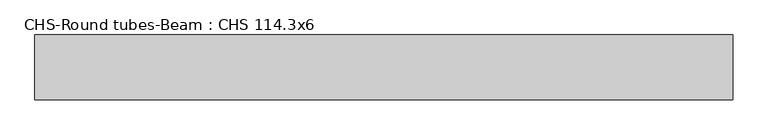
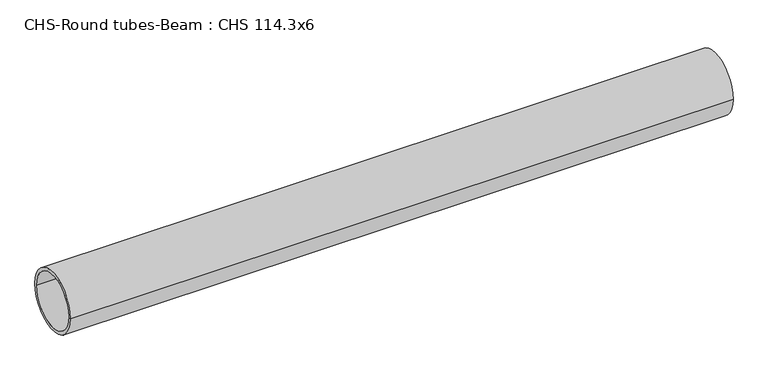
"""IFC4 building model written with IfcOpenShell, lengths in millimetres: beam geometry, CHS-Round tubes-Beam : CHS 114.3x6."""

from ifc_helpers import new_model, si_unit, point, frame, origin, origin_2d, place, context, project, spatial, circle_curve, trimmed, segment, composite_curve, outline, extrude, source, transform, mapped, element, save


def chs_round_tubes_beam_chs_114_3x6_04ab62ad(model_context):
    return source(origin(), model_context, "Body", "SweptSolid", [
        extrude(outline(composite_curve([segment(trimmed(circle_curve(origin_2d(), 57.15), [point((57.15, 0.0))], [point((-57.15, 0.0))], False, "CARTESIAN"), True, "CONTINUOUS"), segment(trimmed(circle_curve(origin_2d(), 57.15), [point((-57.15, 0.0))], [point((57.15, 0.0))], False, "CARTESIAN"), True, "CONTINUOUS")], self_intersect=False), holes=[composite_curve([segment(trimmed(circle_curve(origin_2d(), 51.15), [point((51.15, 0.0))], [point((-51.15, 0.0))], True, "CARTESIAN"), True, "CONTINUOUS"), segment(trimmed(circle_curve(origin_2d(), 51.15), [point((-51.15, 0.0))], [point((51.15, 0.0))], True, "CARTESIAN"), True, "CONTINUOUS")], self_intersect=False)]), frame((-616.3403544, 0.0, 0.0), z_axis=(1.0, 0.0, 0.0), x_axis=(0.0, 1.0, 0.0)), (0.0, 0.0, 1.0), 1232.6807088),
    ])


if __name__ == "__main__":
    model = new_model("IFC4")
    model_context = context("Model", 3, world=origin())
    ifc_project = project(units=[si_unit("LENGTHUNIT", "METRE", prefix="MILLI")], contexts=[model_context])
    site = spatial("IfcSite", under=ifc_project)
    building = spatial("IfcBuilding", under=site)
    placement = place(None, origin())
    chs_round_tubes_beam_chs_114_3x6_shape = chs_round_tubes_beam_chs_114_3x6_04ab62ad(model_context)
    element("IfcBeam", 1, ObjectType="CHS-Round tubes-Beam : CHS 114.3x6", at=placement, inside=building, context=model_context, shape_type="MappedRepresentation", body=[
        mapped(chs_round_tubes_beam_chs_114_3x6_shape, transform((0.0, 0.0, 0.0), x_axis=(1.0, 0.0, 0.0), y_axis=(0.0, 1.0, 0.0), z_axis=(0.0, 0.0, 1.0))),
    ])
    save(model, "model.ifc")
